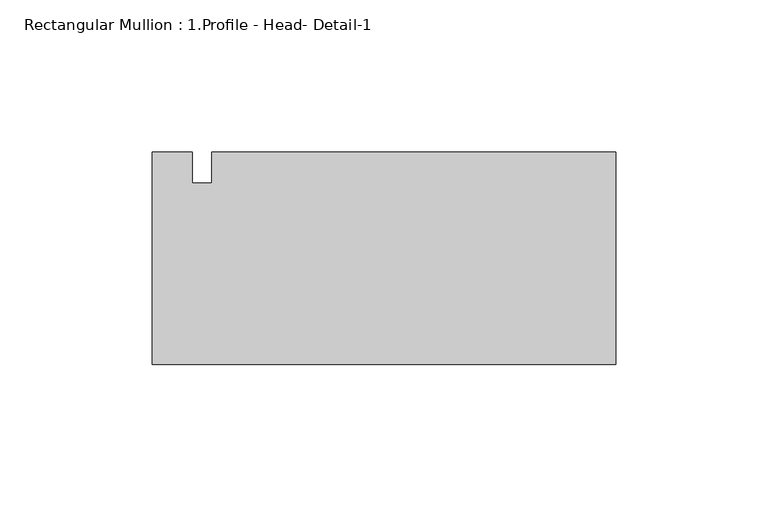
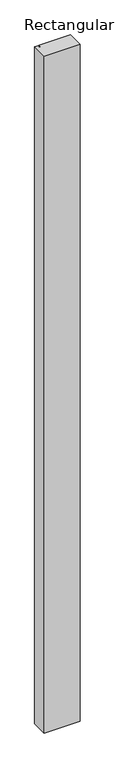
"""IFC4 building model written with IfcOpenShell, lengths in millimetres: member geometry, Rectangular Mullion : 1.Profile - Head- Detail-1."""

from ifc_helpers import new_model, si_unit, frame, origin, place, context, project, spatial, polyline, outline, extrude, source, transform, mapped, element, save


def rectangular_mullion_1_profile_head_detail_1_0977b991(model_context):
    return source(origin(), model_context, "Body", "SweptSolid", [
        extrude(outline(polyline([(0.0, -34.925), (-152.4, -34.925), (-152.4, 34.925), (-139.2025679, 34.925), (-139.2025679, 24.765), (-132.8525679, 24.765), (-132.8525679, 34.925), (0.0, 34.925), (0.0, -34.925)])), frame((0.0, 0.0, -3048.0), z_axis=(0.0, 0.0, 1.0), x_axis=(1.0, 0.0, 0.0)), (0.0, 0.0, 1.0), 3048.0),
    ])


if __name__ == "__main__":
    model = new_model("IFC4")
    model_context = context("Model", 3, world=origin())
    ifc_project = project(units=[si_unit("LENGTHUNIT", "METRE", prefix="MILLI")], contexts=[model_context])
    site = spatial("IfcSite", under=ifc_project)
    building = spatial("IfcBuilding", under=site)
    placement = place(None, origin())
    rectangular_mullion_1_profile_head_detail_1_shape = rectangular_mullion_1_profile_head_detail_1_0977b991(model_context)
    element("IfcMember", 1, ObjectType="Rectangular Mullion : 1.Profile - Head- Detail-1", at=placement, inside=building, context=model_context, shape_type="MappedRepresentation", body=[
        mapped(rectangular_mullion_1_profile_head_detail_1_shape, transform((0.0, 0.0, 0.0), x_axis=(1.0, 0.0, 0.0), y_axis=(0.0, 1.0, 0.0), z_axis=(0.0, 0.0, 1.0))),
    ])
    save(model, "model.ifc")
